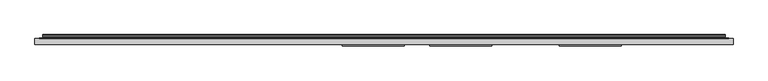
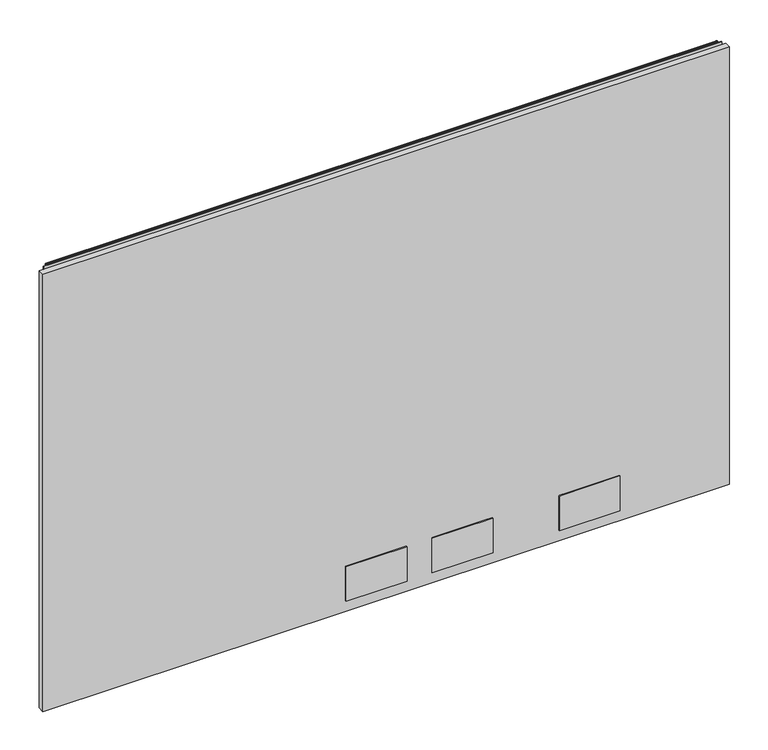
"""IFC4 building model written with IfcOpenShell, lengths in millimetres: furniture geometry."""

from ifc_helpers import new_model, si_unit, point, frame, frame_2d, origin, place, context, project, spatial, polyline, circle_curve, trimmed, segment, composite_curve, outline, extrude, source, transform, mapped, element, save


def furniture_e91129e0(model_context):
    return source(origin(), model_context, "Body", "SweptSolid", [
        extrude(outline(polyline([(1.778, 1.45288), (1.778, 10.9778796), (1065.0219835, 10.9778796), (1065.0219835, 1.45288), (1.778, 1.45288)])), frame((0.0, 0.0, 16.0528), z_axis=(0.0, 0.0, 1.0), x_axis=(1.0, 0.0, 0.0)), (0.0, 0.0, 1.0), 715.7592871),
        extrude(outline(polyline([(564.261016, -0.57912), (470.027015, -0.57912), (470.027015, 1.45288), (564.261016, 1.45288), (564.261016, -0.57912)])), frame((0.0, 0.0, 33.5787996), z_axis=(0.0, 0.0, 1.0), x_axis=(1.0, 0.0, 0.0)), (0.0, 0.0, 1.0), 56.6420005),
        extrude(outline(polyline([(697.611016, -0.57912), (603.377015, -0.57912), (603.377015, 1.45288), (697.611016, 1.45288), (697.611016, -0.57912)])), frame((0.0, 0.0, 33.5787996), z_axis=(0.0, 0.0, 1.0), x_axis=(1.0, 0.0, 0.0)), (0.0, 0.0, 1.0), 56.6420005),
        extrude(outline(polyline([(894.4610281, -0.57912), (800.2270271, -0.57912), (800.2270271, 1.45288), (894.4610281, 1.45288), (894.4610281, -0.57912)])), frame((0.0, 0.0, 33.5787996), z_axis=(0.0, 0.0, 1.0), x_axis=(1.0, 0.0, 0.0)), (0.0, 0.0, 1.0), 56.6420005),
        extrude(outline(composite_curve([segment(polyline([(10.9778796, 736.2381024), (10.9778796, 737.1805903)]), True, "CONTINUOUS"), segment(trimmed(circle_curve(frame_2d((11.6164846, 737.1805903)), 0.638605), [point((10.9778796, 737.1805903))], [point((11.6164846, 737.8191953))], False, "CARTESIAN"), True, "CONTINUOUS"), segment(polyline([(11.6164846, 737.8191953), (13.251317, 737.8191953)]), True, "CONTINUOUS"), segment(trimmed(circle_curve(frame_2d((13.251317, 735.4458753)), 2.37332), [point((13.251317, 737.8191953))], [point((15.6071079, 735.1579575))], False, "CARTESIAN"), True, "CONTINUOUS"), segment(polyline([(15.6071079, 735.1579575), (15.2080413, 731.8927287)]), True, "CONTINUOUS"), segment(trimmed(circle_curve(frame_2d((17.5068753, 731.6117719)), 2.3159393), [point((15.2080413, 731.8927287))], [point((15.5012134, 730.4538018))], True, "CARTESIAN"), True, "CONTINUOUS"), segment(polyline([(15.5012134, 730.4538018), (16.6600675, 728.4466087), (15.9781592, 728.0529085), (14.819305, 730.0601016)]), True, "CONTINUOUS"), segment(trimmed(circle_curve(frame_2d((17.5068753, 731.6117719)), 3.1033393), [point((14.819305, 730.0601016))], [point((14.4264569, 731.9882516))], False, "CARTESIAN"), True, "CONTINUOUS"), segment(polyline([(14.4264569, 731.9882516), (14.8255236, 735.2534804)]), True, "CONTINUOUS"), segment(trimmed(circle_curve(frame_2d((13.251317, 735.4458753)), 1.58592), [point((14.8255236, 735.2534804))], [point((13.251317, 737.0317953))], True, "CARTESIAN"), True, "CONTINUOUS"), segment(polyline([(13.251317, 737.0317953), (11.7652796, 737.0317953), (11.7652796, 736.2381024), (10.9778796, 736.2381024)]), True, "CONTINUOUS")], self_intersect=False)), frame((13.7160002, 0.0, 0.0), z_axis=(1.0, 0.0, 0.0), x_axis=(0.0, 1.0, 0.0)), (0.0, 0.0, 1.0), 1039.3680076),
        extrude(outline(polyline([(8.1280002, 10.9778796), (8.1280002, 11.7652796), (1058.6720078, 11.7652796), (1058.6720078, 10.9778796), (8.1280002, 10.9778796)])), frame((0.0, 0.0, 705.5612079), z_axis=(0.0, 0.0, 1.0), x_axis=(1.0, 0.0, 0.0)), (0.0, 0.0, 1.0), 30.8009179),
    ])


if __name__ == "__main__":
    model = new_model("IFC4")
    model_context = context("Model", 3, world=origin())
    ifc_project = project(units=[si_unit("LENGTHUNIT", "METRE", prefix="MILLI")], contexts=[model_context])
    site = spatial("IfcSite", under=ifc_project)
    building = spatial("IfcBuilding", under=site)
    placement = place(None, origin())
    furniture_shape = furniture_e91129e0(model_context)
    element("IfcFurniture", 1, at=placement, inside=building, context=model_context, shape_type="MappedRepresentation", body=[
        mapped(furniture_shape, transform((0.0, 0.0, 0.0), x_axis=(1.0, 0.0, 0.0), y_axis=(0.0, 1.0, 0.0), z_axis=(0.0, 0.0, 1.0))),
    ])
    save(model, "model.ifc")
